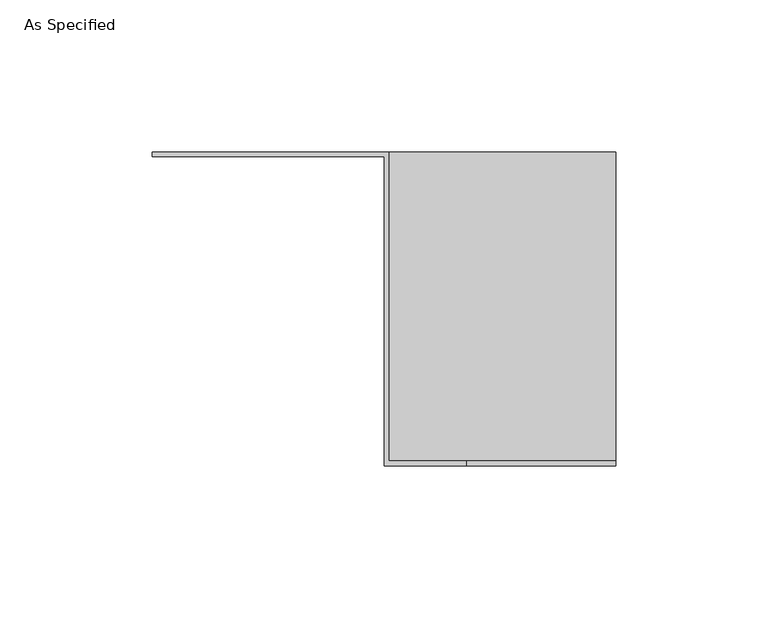
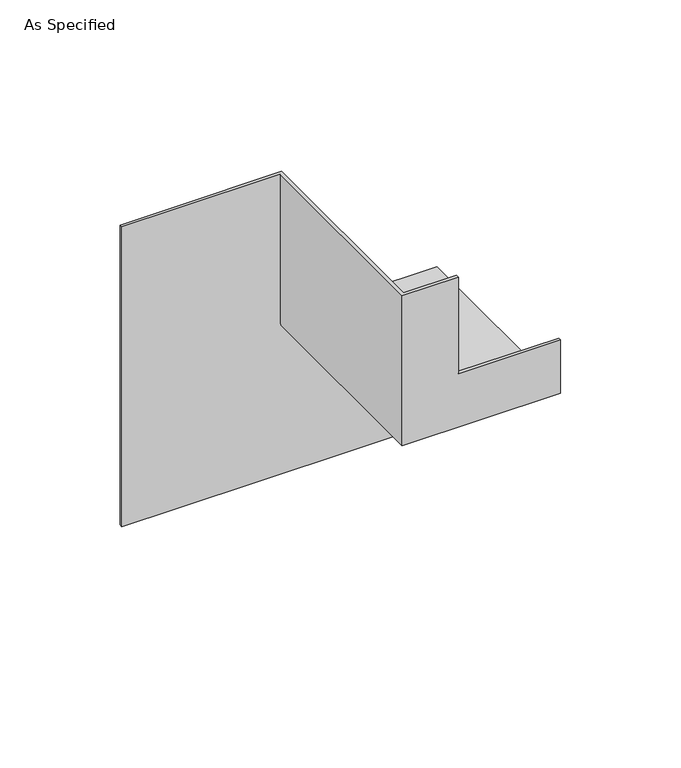
"""IFC4 building model written with IfcOpenShell, lengths in millimetres: proxy geometry, As Specified."""

from ifc_helpers import new_model, si_unit, origin, place, context, project, spatial, faceted_brep, source, transform, mapped, element, save


def as_specified_64935273(model_context):
    return source(origin(), model_context, "Body", "Brep", [
        faceted_brep([(76.2, 0.0, 0.0), (76.2, 1.5875, 0.0), (76.2, 1.5875, 77.7875), (76.2, -100.0125, 77.7875), (76.2, -100.0125, 103.1875), (76.2, -101.6, 103.1875), (76.2, -101.6, 76.2), (76.2, 0.0, 76.2), (-50.8, 0.0, 0.0), (-76.2, 0.0, 0.0), (-76.2, 1.5875, 0.0), (-50.8, 1.5875, 0.0), (-76.2, 1.5875, 152.4), (-50.8, 1.5875, 152.4), (1.5875, 1.5875, 152.4), (1.5875, 1.5875, 77.7875), (1.5875, -100.0125, 77.7875), (1.5875, -100.0125, 152.4), (26.9875, -100.0125, 152.4), (26.9875, -100.0125, 103.1875), (26.9875, -101.6, 103.1875), (26.9875, -101.6, 152.4), (0.0, -101.6, 152.4), (0.0, -101.6, 76.2), (0.0, 0.0, 76.2), (0.0, 0.0, 152.4), (-50.8, 0.0, 152.4), (-76.2, 0.0, 152.4)], [[[0, 1, 2, 3, 4, 5, 6, 7]], [[1, 0, 8, 9, 10, 11]], [[2, 1, 11, 10, 12, 13, 14, 15]], [[3, 2, 15, 16]], [[4, 3, 16, 17, 18, 19]], [[5, 4, 19, 20]], [[6, 5, 20, 21, 22, 23]], [[7, 6, 23, 24]], [[0, 7, 24, 25, 26, 27, 9, 8]], [[18, 17, 14, 13, 12, 27, 26, 25, 22, 21]], [[10, 9, 27, 12]], [[15, 14, 17, 16]], [[19, 18, 21, 20]], [[23, 22, 25, 24]]]),
    ])


if __name__ == "__main__":
    model = new_model("IFC4")
    model_context = context("Model", 3, world=origin())
    ifc_project = project(units=[si_unit("LENGTHUNIT", "METRE", prefix="MILLI")], contexts=[model_context])
    site = spatial("IfcSite", under=ifc_project)
    building = spatial("IfcBuilding", under=site)
    placement = place(None, origin())
    as_specified_shape = as_specified_64935273(model_context)
    element("IfcBuildingElementProxy", 1, Name="As Specified", ObjectType="As Specified", at=placement, inside=building, context=model_context, shape_type="MappedRepresentation", body=[
        mapped(as_specified_shape, transform((0.0, 0.0, 0.0), x_axis=(1.0, 0.0, 0.0), y_axis=(0.0, 1.0, 0.0), z_axis=(0.0, 0.0, 1.0))),
    ])
    save(model, "model.ifc")
